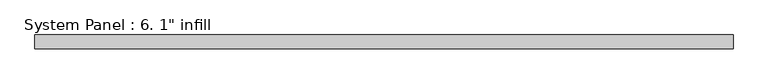
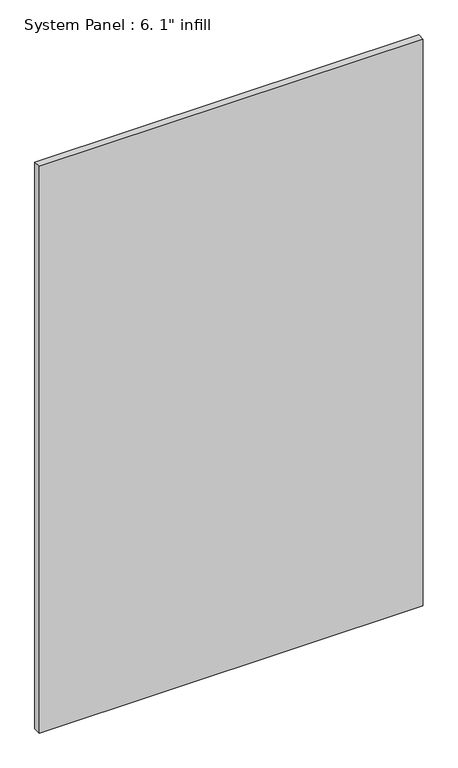
"""IFC4 building model written with IfcOpenShell, lengths in millimetres: plate geometry."""

from ifc_helpers import new_model, si_unit, origin, origin_with_axes, place, context, project, spatial, polyline, outline, extrude, source, transform, mapped, element, save


def plate_345b1734(model_context):
    return source(origin(), model_context, "Body", "SweptSolid", [
        extrude(outline(polyline([(641.35, -12.7), (-641.35, -12.7), (-641.35, 12.7), (641.35, 12.7), (641.35, -12.7)])), origin_with_axes(), (0.0, 0.0, 1.0), 2000.25),
    ])


if __name__ == "__main__":
    model = new_model("IFC4")
    model_context = context("Model", 3, world=origin())
    ifc_project = project(units=[si_unit("LENGTHUNIT", "METRE", prefix="MILLI")], contexts=[model_context])
    site = spatial("IfcSite", under=ifc_project)
    building = spatial("IfcBuilding", under=site)
    placement = place(None, origin())
    plate_shape = plate_345b1734(model_context)
    element("IfcPlate", 1, ObjectType="System Panel : 6. 1\" infill", at=placement, inside=building, context=model_context, shape_type="MappedRepresentation", body=[
        mapped(plate_shape, transform((0.0, 0.0, 0.0), x_axis=(1.0, 0.0, 0.0), y_axis=(0.0, 1.0, 0.0), z_axis=(0.0, 0.0, 1.0))),
    ])
    save(model, "model.ifc")
